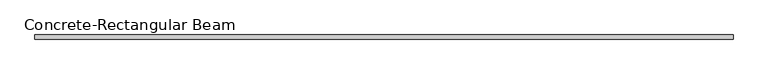
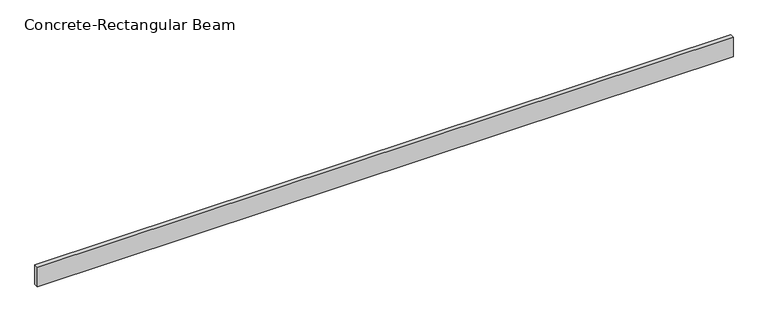
"""IFC4 building model written with IfcOpenShell, lengths in millimetres: beam geometry, Concrete-Rectangular Beam."""

from ifc_helpers import new_model, si_unit, frame, origin, place, context, project, spatial, polyline, outline, extrude, source, transform, mapped, element, save


def concrete_rectangular_beam_e20f2907(model_context):
    return source(origin(), model_context, "Body", "SweptSolid", [
        extrude(outline(polyline([(4193.5110906, 25.0), (4193.5110906, -25.0), (-4193.5110906, -25.0), (-4193.5110906, 25.0), (4193.5110906, 25.0)])), frame((0.0, 0.0, -125.0), z_axis=(0.0, 0.0, 1.0), x_axis=(1.0, 0.0, 0.0)), (0.0, 0.0, 1.0), 250.0),
    ])


if __name__ == "__main__":
    model = new_model("IFC4")
    model_context = context("Model", 3, world=origin())
    ifc_project = project(units=[si_unit("LENGTHUNIT", "METRE", prefix="MILLI")], contexts=[model_context])
    site = spatial("IfcSite", under=ifc_project)
    building = spatial("IfcBuilding", under=site)
    placement = place(None, origin())
    concrete_rectangular_beam_shape = concrete_rectangular_beam_e20f2907(model_context)
    element("IfcBeam", 1, ObjectType="Concrete-Rectangular Beam", at=placement, inside=building, context=model_context, shape_type="MappedRepresentation", body=[
        mapped(concrete_rectangular_beam_shape, transform((0.0, 0.0, 0.0), x_axis=(1.0, 0.0, 0.0), y_axis=(0.0, 1.0, 0.0), z_axis=(0.0, 0.0, 1.0))),
    ])
    save(model, "model.ifc")
